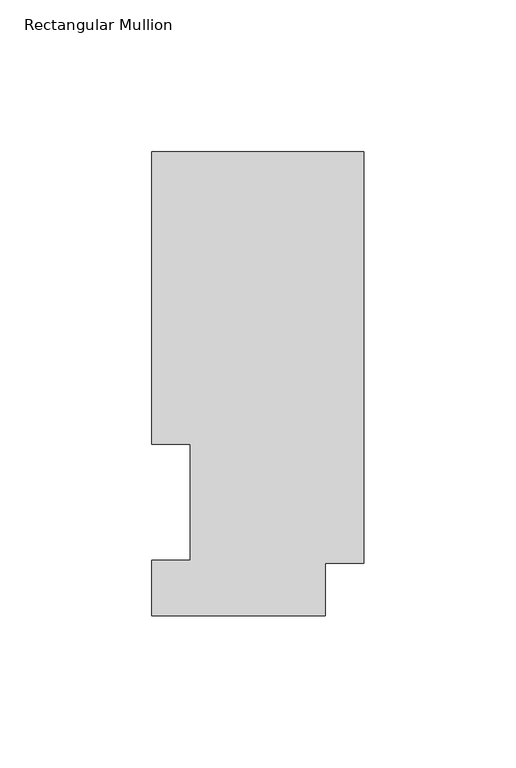
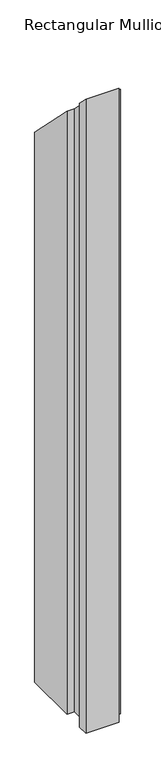
"""IFC4 building model written with IfcOpenShell, lengths in millimetres: member geometry, Rectangular Mullion."""

from ifc_helpers import new_model, si_unit, origin, place, context, project, spatial, faceted_brep, source, transform, mapped, element, save


def rectangular_mullion_8067b256(model_context):
    return source(origin(), model_context, "Body", "Brep", [
        faceted_brep([(0.0, 152.7492337, -1156.065125), (0.0, 17.2502333, -1156.065125), (-12.7, 17.2502333, -1156.065125), (-12.7, -0.0317663, -1156.065125), (-69.85, -0.0317663, -1156.065125), (-69.85, 18.2562337, -1156.065125), (-57.15, 18.2562337, -1156.065125), (-57.15, 56.3562337, -1156.065125), (-69.85, 56.3562337, -1156.065125), (-69.85, 152.7492337, -1156.065125), (-69.85, 152.7492337, -152.7492337), (0.0, 152.7492337, -152.7492337), (-69.85, 56.3562337, -56.3562337), (-57.15, 56.3562337, -56.3562337), (-57.15, 18.2562337, -18.2562337), (-69.85, 18.2562337, -18.2562337), (-69.85, -0.0317663, 0.0317663), (-12.7, -0.0317663, 0.0317663), (-12.7, 17.2502333, -17.2502333), (0.0, 17.2502333, -17.2502333)], [[[0, 1, 2, 3, 4, 5, 6, 7, 8, 9]], [[10, 11, 0, 9]], [[12, 10, 9, 8]], [[13, 12, 8, 7]], [[14, 13, 7, 6]], [[15, 14, 6, 5]], [[16, 15, 5, 4]], [[17, 16, 4, 3]], [[18, 17, 3, 2]], [[19, 18, 2, 1]], [[11, 19, 1, 0]], [[11, 10, 12, 13, 14, 15, 16, 17, 18, 19]]]),
    ])


if __name__ == "__main__":
    model = new_model("IFC4")
    model_context = context("Model", 3, world=origin())
    ifc_project = project(units=[si_unit("LENGTHUNIT", "METRE", prefix="MILLI")], contexts=[model_context])
    site = spatial("IfcSite", under=ifc_project)
    building = spatial("IfcBuilding", under=site)
    placement = place(None, origin())
    rectangular_mullion_shape = rectangular_mullion_8067b256(model_context)
    element("IfcMember", 1, ObjectType="Rectangular Mullion", at=placement, inside=building, context=model_context, shape_type="MappedRepresentation", body=[
        mapped(rectangular_mullion_shape, transform((0.0, 0.0, 0.0), x_axis=(1.0, 0.0, 0.0), y_axis=(0.0, 1.0, 0.0), z_axis=(0.0, 0.0, 1.0))),
    ])
    save(model, "model.ifc")
